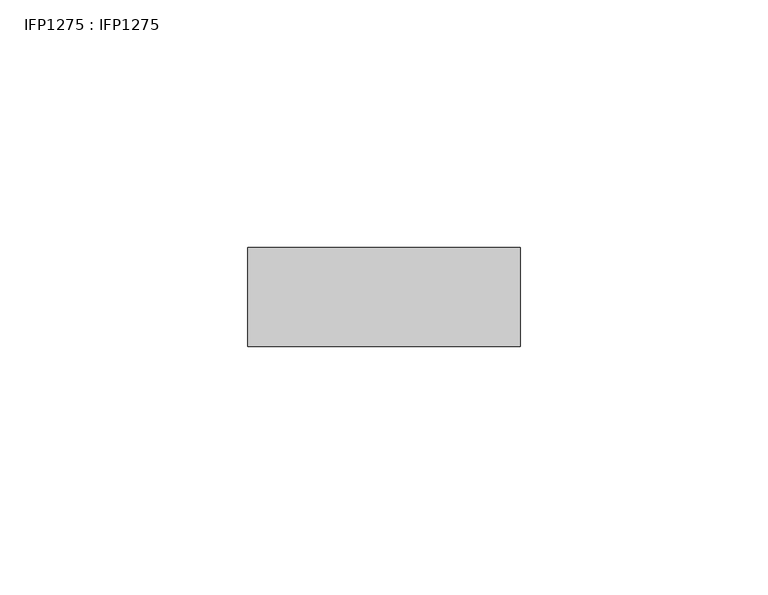
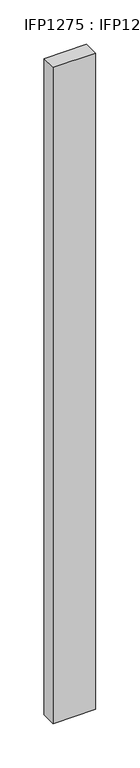
"""IFC4 building model written with IfcOpenShell, lengths in millimetres: proxy geometry, IFP1275 : IFP1275."""

import ifcopenshell
import ifcopenshell.guid

model = None  # the IFC model being written
_history = None  # IfcOwnerHistory: only IFC2X3 demands one
_inside = {}  # id of a spatial element -> (the spatial element, [elements in it])
_under = {}  # id of a project, library or spatial element -> (it, [spatial elements below it])
_declared = {}  # id of a project -> (the project, [libraries it declares])
_typed = {}  # id of a type object -> (the type object, [elements of that type])
_made_of = {}  # id of a material, layer set ... -> (it, [elements and type objects made of it])


def new_model(schema):
    """Start an empty IFC model of exactly this schema.

    Asked for "IFC4X3", IfcOpenShell would pick the latest addendum, in which some entities
    have other attributes; the version numbers below select the first issue.
    IFC2X3 requires an IfcOwnerHistory on every rooted entity: one is made here for all.
    """
    global model, _history
    if schema == "IFC4X3":
        model = ifcopenshell.file(schema_version=(4, 3, 0, 0))
    else:
        model = ifcopenshell.file(schema=schema)
    _inside.clear()
    _under.clear()
    _declared.clear()
    _typed.clear()
    _made_of.clear()
    _history = None
    if model.schema == "IFC2X3":
        org = make("IfcOrganization", Name="unknown")
        user = make(
            "IfcPersonAndOrganization",
            ThePerson=make("IfcPerson", FamilyName="unknown"),
            TheOrganization=org,
        )
        app = make(
            "IfcApplication",
            ApplicationDeveloper=org,
            Version="unknown",
            ApplicationFullName="unknown",
            ApplicationIdentifier="unknown",
        )
        _history = make(
            "IfcOwnerHistory",
            OwningUser=user,
            OwningApplication=app,
            ChangeAction="ADDED",
            CreationDate=0,
        )
    return model


def make(cls, **values):
    """One entity of the class cls with the attributes given. An attribute that is None is left unset."""
    return model.create_entity(
        cls, **{name: value for name, value in values.items() if value is not None}
    )


def rooted(cls, **values):
    """An entity with a GlobalId (a new one), such as an element, a storey or a relation."""
    return make(cls, GlobalId=ifcopenshell.guid.new(), OwnerHistory=_history, **values)


def si_unit(unit_type, name, prefix=None):
    """IfcSIUnit, for example si_unit("LENGTHUNIT", "METRE", prefix="MILLI")."""
    return make("IfcSIUnit", UnitType=unit_type, Prefix=prefix, Name=name)


def assignment(units):
    """IfcUnitAssignment: the units of a project."""
    return None if units is None else make("IfcUnitAssignment", Units=units)


def point(xyz):
    """IfcCartesianPoint."""
    return None if xyz is None else make("IfcCartesianPoint", Coordinates=xyz)


def direction(xyz):
    """IfcDirection."""
    return None if xyz is None else make("IfcDirection", DirectionRatios=xyz)


def frame(location, z_axis=None, x_axis=None):
    """IfcAxis2Placement3D, a coordinate frame: its origin and axes. An axis left out is left unset."""
    return make(
        "IfcAxis2Placement3D",
        Location=point(location),
        Axis=direction(z_axis),
        RefDirection=direction(x_axis),
    )


def origin():
    """The frame at (0, 0, 0) with its axes left unset."""
    return frame((0.0, 0.0, 0.0))


def origin_with_axes():
    """The frame at (0, 0, 0) with the z axis (0, 0, 1) and the x axis (1, 0, 0) written out."""
    return frame((0.0, 0.0, 0.0), z_axis=(0.0, 0.0, 1.0), x_axis=(1.0, 0.0, 0.0))


def place(relative_to, where):
    """IfcLocalPlacement: puts the frame where relative to a parent placement (None: the world)."""
    return make(
        "IfcLocalPlacement", PlacementRelTo=relative_to, RelativePlacement=where
    )


def context(
    kind, dimensions, precision=None, world=None, true_north=None, identifier=None
):
    """IfcGeometricRepresentationContext, for example the 3D "Model" context."""
    return make(
        "IfcGeometricRepresentationContext",
        ContextIdentifier=identifier,
        ContextType=kind,
        CoordinateSpaceDimension=dimensions,
        Precision=precision,
        WorldCoordinateSystem=world,
        TrueNorth=true_north,
    )


def project(units=None, contexts=None):
    """IfcProject with its units and contexts."""
    return rooted(
        "IfcProject",
        Name="project",
        RepresentationContexts=contexts,
        UnitsInContext=assignment(units),
    )


def spatial(cls, under=None, at=None, **own):
    """A site, building, storey or space (cls), placed at a placement, below another one or the project."""
    s = rooted(cls, ObjectPlacement=at, **own)
    if under is not None:
        _under.setdefault(under.id(), (under, []))[1].append(s)
    return s


def polyline(points):
    """IfcPolyline through the points."""
    return make("IfcPolyline", Points=[point(p) for p in points])


def outline(outer, holes=None, kind="AREA"):
    """IfcArbitraryClosedProfileDef: a profile drawn as a closed curve; with holes, ...WithVoids."""
    if holes is None:
        return make("IfcArbitraryClosedProfileDef", ProfileType=kind, OuterCurve=outer)
    return make(
        "IfcArbitraryProfileDefWithVoids",
        ProfileType=kind,
        OuterCurve=outer,
        InnerCurves=holes,
    )


def extrude(swept, where, along, depth):
    """IfcExtrudedAreaSolid: the profile swept, set in the frame where, extruded along a direction by depth."""
    return make(
        "IfcExtrudedAreaSolid",
        SweptArea=swept,
        Position=where,
        ExtrudedDirection=direction(along),
        Depth=depth,
    )


def shape(context_of_items, identifier, shape_type, items):
    """IfcShapeRepresentation: the items that make up one representation, for example the "Body"."""
    return make(
        "IfcShapeRepresentation",
        ContextOfItems=context_of_items,
        RepresentationIdentifier=identifier,
        RepresentationType=shape_type,
        Items=items,
    )


def source(mapping_origin, context_of_items, identifier, shape_type, items):
    """IfcRepresentationMap: a shape defined once, which mapped items show again and again."""
    return make(
        "IfcRepresentationMap",
        MappingOrigin=mapping_origin,
        MappedRepresentation=shape(context_of_items, identifier, shape_type, items),
    )


def transform(
    local_origin,
    x_axis=None,
    y_axis=None,
    z_axis=None,
    scale=None,
    scale2=None,
    scale3=None,
    uniform=True,
):
    """IfcCartesianTransformationOperator3D, or its non-uniform kind. x_axis, y_axis, z_axis: its Axis1, 2, 3."""
    if uniform:
        return make(
            "IfcCartesianTransformationOperator3D",
            Axis1=direction(x_axis),
            Axis2=direction(y_axis),
            LocalOrigin=point(local_origin),
            Scale=scale,
            Axis3=direction(z_axis),
        )
    return make(
        "IfcCartesianTransformationOperator3DnonUniform",
        Axis1=direction(x_axis),
        Axis2=direction(y_axis),
        LocalOrigin=point(local_origin),
        Scale=scale,
        Axis3=direction(z_axis),
        Scale2=scale2,
        Scale3=scale3,
    )


def mapped(mapping_source, mapping_target):
    """IfcMappedItem: shows the shape of a source again, moved by a transform."""
    return make(
        "IfcMappedItem", MappingSource=mapping_source, MappingTarget=mapping_target
    )


def made_of(thing, what):
    """Note that an element or type object is made of a material, layer set ...; save() writes the relation."""
    if what is not None:
        _made_of.setdefault(what.id(), (what, []))[1].append(thing)
    return thing


def element(
    cls,
    number,
    at=None,
    inside=None,
    cuts=None,
    type_object=None,
    material=None,
    context=None,
    identifier="Body",
    shape_type=None,
    held_by="IfcProductDefinitionShape",
    body=None,
    shapes=None,
    **own,
):
    """One element of the class cls, such as IfcWall. Its Tag is "e" and its number.

    at: its placement. inside: the storey or other place that contains it. cuts: it is an
    opening in that element (IfcRelVoidsElement). A single representation is given by context,
    identifier, shape_type and body (its items); several are given by shapes. held_by: the class
    of the entity that holds the representations. save() writes the other relations.
    """
    e = rooted(cls, Tag="e%d" % number, ObjectPlacement=at, **own)
    if body is not None:
        shapes = [shape(context, identifier, shape_type, body)]
    if shapes is not None:
        e.Representation = make(held_by, Representations=shapes)
    if inside is not None:
        _inside.setdefault(inside.id(), (inside, []))[1].append(e)
    if cuts is not None:
        rooted(
            "IfcRelVoidsElement", RelatingBuildingElement=cuts, RelatedOpeningElement=e
        )
    if type_object is not None:
        _typed.setdefault(type_object.id(), (type_object, []))[1].append(e)
    return made_of(e, material)


def aggregate(whole, parts):
    """IfcRelAggregates: a whole, such as a stair, and the parts it consists of."""
    return rooted("IfcRelAggregates", RelatingObject=whole, RelatedObjects=parts)


def save(model, path):
    """Write the relations noted so far, then the file.

    IfcRelAggregates (storeys below a building ...), IfcRelContainedInSpatialStructure (elements
    in a storey), IfcRelDefinesByType, IfcRelAssociatesMaterial and IfcRelDeclares: one each for
    every whole, place, type object, material and project.
    """
    for whole, parts in _under.values():
        aggregate(whole, parts)
    for where, things in _inside.values():
        rooted(
            "IfcRelContainedInSpatialStructure",
            RelatedElements=things,
            RelatingStructure=where,
        )
    for kind, things in _typed.values():
        rooted("IfcRelDefinesByType", RelatedObjects=things, RelatingType=kind)
    for what, things in _made_of.values():
        rooted("IfcRelAssociatesMaterial", RelatedObjects=things, RelatingMaterial=what)
    for by, libraries in _declared.values():
        rooted("IfcRelDeclares", RelatingContext=by, RelatedDefinitions=libraries)
    model.write(path)


def ifp1275_ifp1275_89e95c44(model_context):
    return source(origin(), model_context, "Body", "SweptSolid", [
        extrude(outline(polyline([(55.0, 0.0), (55.0, -20.0), (0.0, -20.0), (0.0, 0.0), (55.0, 0.0)])), origin_with_axes(), (0.0, 0.0, 1.0), 900.0),
    ])


if __name__ == "__main__":
    model = new_model("IFC4")
    model_context = context("Model", 3, world=origin())
    ifc_project = project(units=[si_unit("LENGTHUNIT", "METRE", prefix="MILLI")], contexts=[model_context])
    site = spatial("IfcSite", under=ifc_project)
    building = spatial("IfcBuilding", under=site)
    placement = place(None, origin())
    ifp1275_ifp1275_shape = ifp1275_ifp1275_89e95c44(model_context)
    element("IfcBuildingElementProxy", 1, Name="IFP1275 : IFP1275", ObjectType="IFP1275 : IFP1275", at=placement, inside=building, context=model_context, shape_type="MappedRepresentation", body=[
        mapped(ifp1275_ifp1275_shape, transform((0.0, 0.0, 0.0), x_axis=(1.0, 0.0, 0.0), y_axis=(0.0, 1.0, 0.0), z_axis=(0.0, 0.0, 1.0))),
    ])
    save(model, "model.ifc")
